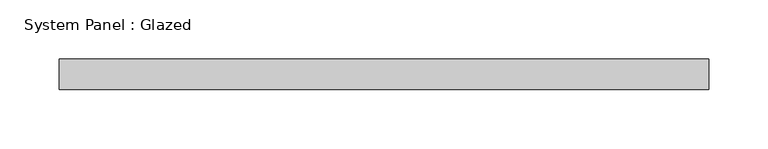
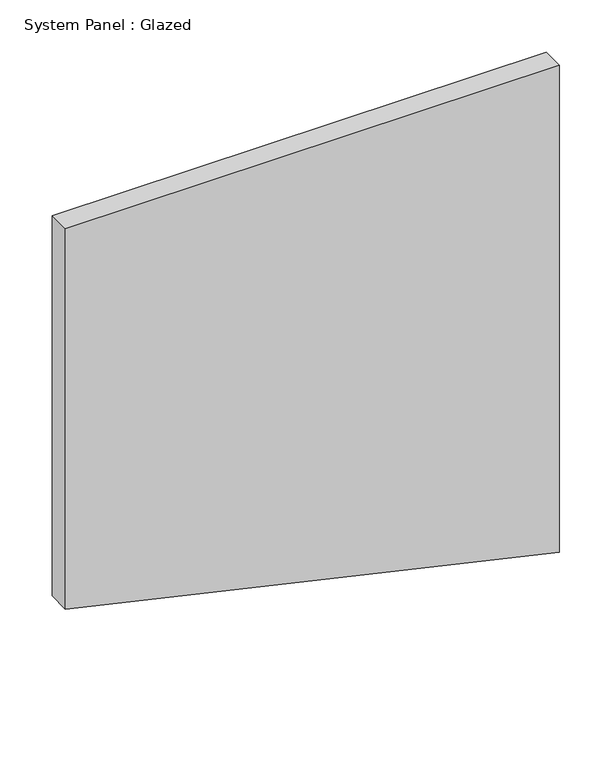
"""IFC4 building model written with IfcOpenShell, lengths in millimetres: plate geometry, System Panel : Glazed."""

from ifc_helpers import new_model, si_unit, frame, origin, place, context, project, spatial, polyline, outline, extrude, source, transform, mapped, element, save


def system_panel_glazed_d4574563(model_context):
    return source(origin(), model_context, "Body", "SweptSolid", [
        extrude(outline(polyline([(124.8186972, -273.05), (0.0, 273.05), (569.1541953, 273.05), (569.1541953, -273.05), (124.8186972, -273.05)])), frame((0.0, 19.05, 0.0), z_axis=(0.0, 1.0, 0.0), x_axis=(0.0, 0.0, 1.0)), (0.0, 0.0, 1.0), 25.4),
    ])


if __name__ == "__main__":
    model = new_model("IFC4")
    model_context = context("Model", 3, world=origin())
    ifc_project = project(units=[si_unit("LENGTHUNIT", "METRE", prefix="MILLI")], contexts=[model_context])
    site = spatial("IfcSite", under=ifc_project)
    building = spatial("IfcBuilding", under=site)
    placement = place(None, origin())
    system_panel_glazed_shape = system_panel_glazed_d4574563(model_context)
    element("IfcPlate", 1, ObjectType="System Panel : Glazed", at=placement, inside=building, context=model_context, shape_type="MappedRepresentation", body=[
        mapped(system_panel_glazed_shape, transform((0.0, 0.0, 0.0), x_axis=(1.0, 0.0, 0.0), y_axis=(0.0, 1.0, 0.0), z_axis=(0.0, 0.0, 1.0))),
    ])
    save(model, "model.ifc")
